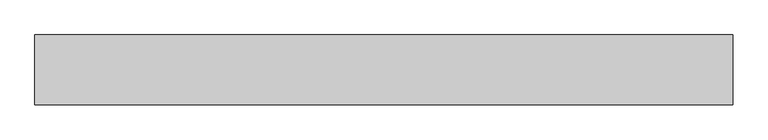
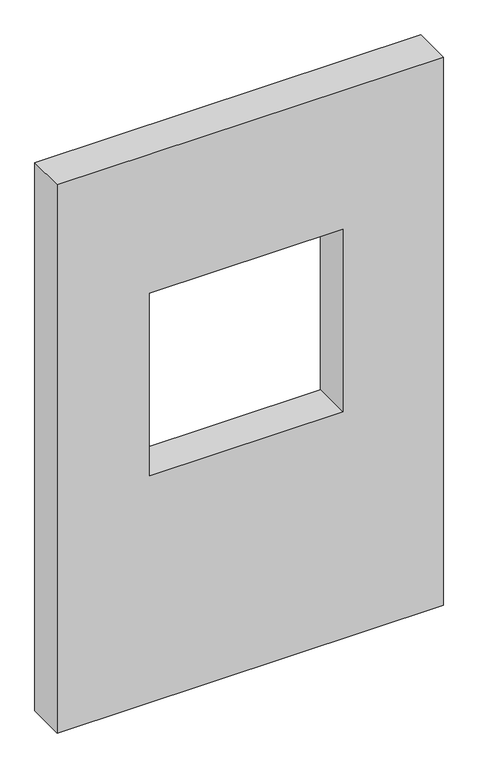
"""IFC4 building model written with IfcOpenShell, lengths in millimetres: proxy geometry."""

from ifc_helpers import new_model, si_unit, frame, origin, place, context, project, spatial, polyline, outline, extrude, source, transform, mapped, element, save


def generic_models_969e517e(model_context):
    return source(origin(), model_context, "Body", "SweptSolid", [
        extrude(outline(polyline([(1500.0, 1000.0), (1500.0, 0.0), (0.0, 0.0), (0.0, 1000.0), (1500.0, 1000.0)]), holes=[polyline([(1120.0, 240.0), (1120.0, 740.0), (620.0, 740.0), (620.0, 240.0), (1120.0, 240.0)])]), frame((0.0, 0.0, 0.0), z_axis=(0.0, 1.0, 0.0), x_axis=(0.0, 0.0, 1.0)), (0.0, 0.0, 1.0), 100.0),
    ])


if __name__ == "__main__":
    model = new_model("IFC4")
    model_context = context("Model", 3, world=origin())
    ifc_project = project(units=[si_unit("LENGTHUNIT", "METRE", prefix="MILLI")], contexts=[model_context])
    site = spatial("IfcSite", under=ifc_project)
    building = spatial("IfcBuilding", under=site)
    placement = place(None, origin())
    generic_models_shape = generic_models_969e517e(model_context)
    element("IfcBuildingElementProxy", 1, Name="Generic Models", at=placement, inside=building, context=model_context, shape_type="MappedRepresentation", body=[
        mapped(generic_models_shape, transform((0.0, 0.0, 0.0), x_axis=(1.0, 0.0, 0.0), y_axis=(0.0, 1.0, 0.0), z_axis=(0.0, 0.0, 1.0))),
    ])
    save(model, "model.ifc")
